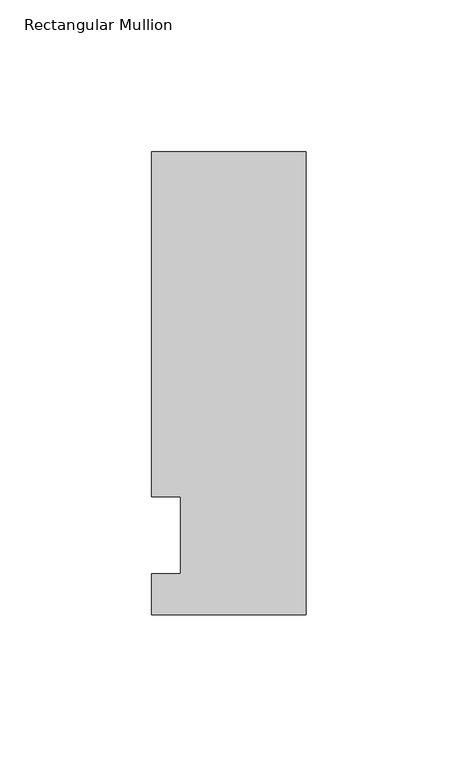
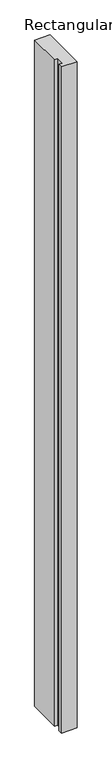
"""IFC4 building model written with IfcOpenShell, lengths in millimetres: member geometry, Rectangular Mullion."""

from ifc_helpers import new_model, si_unit, frame, origin, place, context, project, spatial, polyline, outline, extrude, source, transform, mapped, element, save


def rectangular_mullion_885d2564(model_context):
    return source(origin(), model_context, "Body", "SweptSolid", [
        extrude(outline(polyline([(-50.8, -26.19375), (-50.8, -12.7), (-41.275, -12.7), (-41.275, 12.7), (-50.8, 12.7), (-50.8, 126.20625), (0.0, 126.20625), (0.0, -26.19375), (-50.8, -26.19375)])), frame((0.0, 0.0, -2311.4), z_axis=(0.0, 0.0, 1.0), x_axis=(1.0, 0.0, 0.0)), (0.0, 0.0, 1.0), 2311.3923531),
    ])


if __name__ == "__main__":
    model = new_model("IFC4")
    model_context = context("Model", 3, world=origin())
    ifc_project = project(units=[si_unit("LENGTHUNIT", "METRE", prefix="MILLI")], contexts=[model_context])
    site = spatial("IfcSite", under=ifc_project)
    building = spatial("IfcBuilding", under=site)
    placement = place(None, origin())
    rectangular_mullion_shape = rectangular_mullion_885d2564(model_context)
    element("IfcMember", 1, ObjectType="Rectangular Mullion", at=placement, inside=building, context=model_context, shape_type="MappedRepresentation", body=[
        mapped(rectangular_mullion_shape, transform((0.0, 0.0, 0.0), x_axis=(1.0, 0.0, 0.0), y_axis=(0.0, 1.0, 0.0), z_axis=(0.0, 0.0, 1.0))),
    ])
    save(model, "model.ifc")
